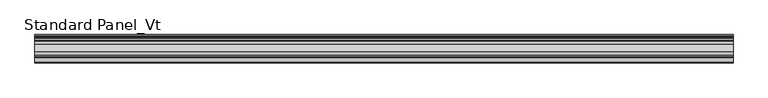
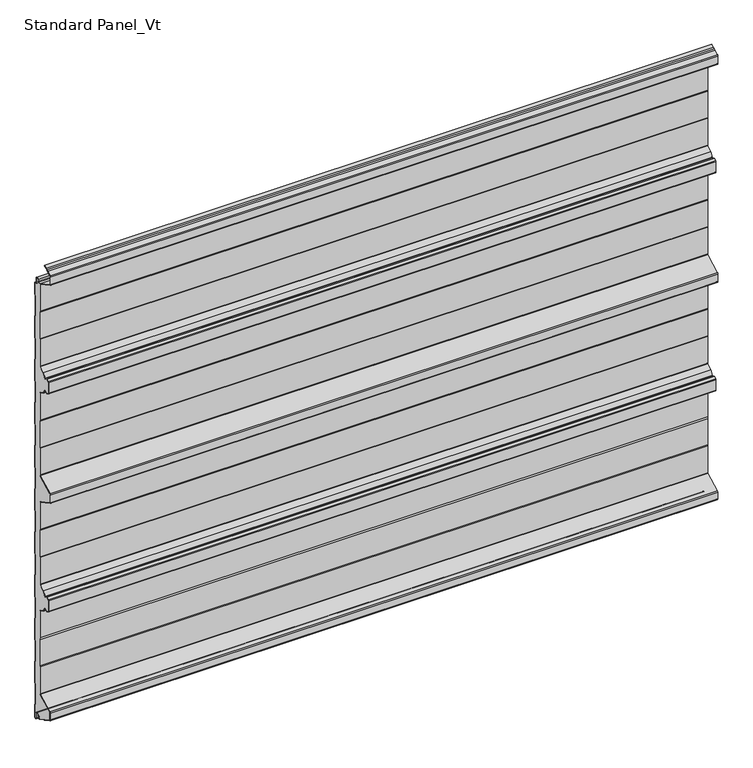
"""IFC4 building model written with IfcOpenShell, lengths in millimetres: proxy geometry, Standard Panel_Vt."""

from ifc_helpers import new_model, si_unit, point, frame, frame_2d, origin, place, context, project, spatial, polyline, circle_curve, trimmed, segment, composite_curve, outline, extrude, source, transform, mapped, element, save


def standard_panel_vt_2d93533b(model_context):
    return source(origin(), model_context, "Body", "SweptSolid", [
        extrude(outline(composite_curve([segment(trimmed(circle_curve(frame_2d((-21.736297, 967.456399)), 2.55), [point((-19.186297, 967.456399))], [point((-19.5970804, 968.8442938))], True, "CARTESIAN"), True, "CONTINUOUS"), segment(polyline([(-19.5970804, 968.8442938), (-13.0699171, 968.8442938), (-11.8132517, 974.2875095)]), True, "CONTINUOUS"), segment(trimmed(circle_curve(frame_2d((-9.036297, 973.646399)), 2.85), [point((-11.8132517, 974.2875095))], [point((-6.186297, 973.646399))], False, "CARTESIAN"), True, "CONTINUOUS"), segment(polyline([(-6.186297, 973.646399), (-6.186297, 963.846399)]), True, "CONTINUOUS"), segment(trimmed(circle_curve(frame_2d((-3.436297, 963.846399)), 2.75), [point((-6.186297, 963.846399))], [point((-3.436297, 961.096399))], True, "CARTESIAN"), True, "CONTINUOUS"), segment(polyline([(-3.436297, 961.096399), (-2.036297, 961.096399)]), True, "CONTINUOUS"), segment(trimmed(circle_curve(frame_2d((-2.036297, 959.846399)), 1.25), [point((-2.036297, 961.096399))], [point((-0.786297, 959.846399))], False, "CARTESIAN"), True, "CONTINUOUS"), segment(polyline([(-0.786297, 959.846399), (-0.786297, 932.8331036), (-1.786297, 931.1010528), (-1.786297, 884.6770917), (-0.786297, 882.9025902), (-0.786297, 833.8331036), (-1.8, 832.1010528), (-1.8, 785.6364357), (-0.8, 783.9043849), (-0.8, 734.8331036), (-1.8, 733.1010528), (-1.8, 686.6770917), (-0.8, 684.9025902), (-0.8, 635.8331036), (-1.8, 634.1010528), (-1.8, 587.6770917), (-0.8, 585.9025902), (-0.8, 536.8331036), (-1.8, 535.1010528), (-1.8, 488.6364357), (-0.8, 486.9043849), (-0.8, 437.8331036), (-1.8, 436.1010528), (-1.8, 389.6364357), (-0.8, 387.9043849), (-0.8, 338.8331036), (-1.8, 337.1010528), (-1.8, 290.6770917), (-0.8, 288.9025902), (-0.8, 239.8331036), (-1.8, 238.1010528), (-1.8, 191.6364357), (-0.8, 189.9043849), (-0.8, 140.8331036), (-1.8, 139.1010528), (-1.8, 92.6364357), (-0.8, 90.9043849), (-0.8, 41.8331036), (-1.8, 40.1010528), (-1.8, -6.3635643), (-0.8, -8.0956151), (-0.8, -35.653601)]), True, "CONTINUOUS"), segment(trimmed(circle_curve(frame_2d((-2.55, -35.653601)), 1.75), [point((-0.8, -35.653601))], [point((-4.3, -35.653601))], False, "CARTESIAN"), True, "CONTINUOUS"), segment(polyline([(-4.3, -35.653601), (-4.3, -26.153601)]), True, "CONTINUOUS"), segment(trimmed(circle_curve(frame_2d((-9.05, -26.153601)), 4.75), [point((-4.3, -26.153601))], [point((-13.7278368, -25.3287722))], True, "CARTESIAN"), True, "CONTINUOUS"), segment(polyline([(-13.7278368, -25.3287722), (-14.4904098, -29.6535385)]), True, "CONTINUOUS"), segment(trimmed(circle_curve(frame_2d((-15.3274964, -29.5059375)), 0.85), [point((-14.4904098, -29.6535385))], [point((-16.1690547, -29.6254352))], False, "CARTESIAN"), True, "CONTINUOUS"), segment(polyline([(-16.1690547, -29.6254352), (-16.8682582, -24.7013192), (-17.660313, -24.8137877), (-16.9611095, -29.7379036)]), True, "CONTINUOUS"), segment(trimmed(circle_curve(frame_2d((-15.3274964, -29.5059375)), 1.65), [point((-16.9611095, -29.7379036))], [point((-15.3551162, -31.1557063))], True, "CARTESIAN"), True, "CONTINUOUS"), segment(polyline([(-15.3551162, -31.1557063), (-16.7422613, -31.1557063), (-55.4671034, -10.5653426)]), True, "CONTINUOUS"), segment(trimmed(circle_curve(frame_2d((-54.5046867, -8.7553)), 2.05), [point((-55.4671034, -10.5653426))], [point((-56.5546867, -8.7553))], False, "CARTESIAN"), True, "CONTINUOUS"), segment(polyline([(-56.5546867, -8.7553), (-56.5546867, 6.7553)]), True, "CONTINUOUS"), segment(trimmed(circle_curve(frame_2d((-54.5046867, 6.7553)), 2.05), [point((-56.5546867, 6.7553))], [point((-55.4676577, 8.5650477))], False, "CARTESIAN"), True, "CONTINUOUS"), segment(polyline([(-55.4676577, 8.5650477), (-20.4953296, 27.08352)]), True, "CONTINUOUS"), segment(trimmed(circle_curve(frame_2d((-21.7061794, 29.2934182)), 2.5198823), [point((-20.4953296, 27.08352))], [point((-19.186297, 29.2934182))], True, "CARTESIAN"), True, "CONTINUOUS"), segment(polyline([(-19.186297, 29.2934182), (-19.186297, 90.6923193), (-20.1546867, 93.6457761), (-20.1546867, 153.5439864), (-19.186297, 156.5594953), (-19.186297, 218.3415811)]), True, "CONTINUOUS"), segment(trimmed(circle_curve(frame_2d((-20.976486, 218.5292607)), 1.8), [point((-19.186297, 218.3415811))], [point((-20.1314213, 220.1185579))], True, "CARTESIAN"), True, "CONTINUOUS"), segment(polyline([(-20.1314213, 220.1185579), (-31.6495044, 226.2429788), (-37.3371219, 235.2263707)]), True, "CONTINUOUS"), segment(trimmed(circle_curve(frame_2d((-38.8579389, 234.2635022)), 1.8), [point((-37.3371219, 235.2263707))], [point((-39.6648134, 235.8725247))], True, "CARTESIAN"), True, "CONTINUOUS"), segment(polyline([(-39.6648134, 235.8725247), (-44.8437404, 233.2754544), (-50.4436039, 236.2530799), (-50.4436039, 261.7469268), (-44.8329103, 264.730008), (-39.6647312, 262.138199)]), True, "CONTINUOUS"), segment(trimmed(circle_curve(frame_2d((-38.8578247, 263.7472055)), 1.8), [point((-39.6647312, 262.138199))], [point((-37.3370268, 262.7843068))], True, "CARTESIAN"), True, "CONTINUOUS"), segment(polyline([(-37.3370268, 262.7843068), (-31.6597772, 271.7509289), (-20.1317543, 277.8803412)]), True, "CONTINUOUS"), segment(trimmed(circle_curve(frame_2d((-20.9767874, 279.4696552)), 1.8), [point((-20.1317543, 277.8803412))], [point((-19.186297, 279.6544369))], True, "CARTESIAN"), True, "CONTINUOUS"), segment(polyline([(-19.186297, 279.6544369), (-19.186297, 341.6072203), (-20.1546867, 343.9888602), (-20.1546867, 403.780201), (-19.186297, 406.1618409), (-19.186297, 467.4564123)]), True, "CONTINUOUS"), segment(trimmed(circle_curve(frame_2d((-21.736297, 467.4564123)), 2.55), [point((-19.186297, 467.4564123))], [point((-20.5391446, 469.7079287))], True, "CARTESIAN"), True, "CONTINUOUS"), segment(polyline([(-20.5391446, 469.7079287), (-56.4671034, 488.8111633)]), True, "CONTINUOUS"), segment(trimmed(circle_curve(frame_2d((-55.5046867, 490.6212058)), 2.05), [point((-56.4671034, 488.8111633))], [point((-57.5546867, 490.6212058))], False, "CARTESIAN"), True, "CONTINUOUS"), segment(polyline([(-57.5546867, 490.6212058), (-57.5546867, 507.3787942)]), True, "CONTINUOUS"), segment(trimmed(circle_curve(frame_2d((-55.5046867, 507.3787942)), 2.05), [point((-57.5546867, 507.3787942))], [point((-56.4671034, 509.1888367))], False, "CARTESIAN"), True, "CONTINUOUS"), segment(polyline([(-56.4671034, 509.1888367), (-20.5391446, 528.2920713)]), True, "CONTINUOUS"), segment(trimmed(circle_curve(frame_2d((-21.736297, 530.5435877)), 2.55), [point((-20.5391446, 528.2920713))], [point((-19.186297, 530.5435877))], True, "CARTESIAN"), True, "CONTINUOUS"), segment(polyline([(-19.186297, 530.5435877), (-19.186297, 591.8381591), (-20.1546867, 594.219799), (-20.1546867, 654.0111398), (-19.186297, 656.3927803), (-19.186297, 718.5303448)]), True, "CONTINUOUS"), segment(trimmed(circle_curve(frame_2d((-20.9860322, 718.5303448)), 1.7997352), [point((-19.186297, 718.5303448))], [point((-20.1411234, 720.119425))], True, "CARTESIAN"), True, "CONTINUOUS"), segment(polyline([(-20.1411234, 720.119425), (-31.6695862, 726.2490712), (-37.3468358, 735.2156931)]), True, "CONTINUOUS"), segment(trimmed(circle_curve(frame_2d((-38.8676336, 734.2527944)), 1.8), [point((-37.3468358, 735.2156931))], [point((-39.6745401, 735.8618009))], True, "CARTESIAN"), True, "CONTINUOUS"), segment(polyline([(-39.6745401, 735.8618009), (-44.8427209, 733.269991), (-50.4532499, 736.2530911), (-50.4532499, 761.7470593), (-44.8535484, 764.724545), (-39.6746224, 762.1274752)]), True, "CONTINUOUS"), segment(trimmed(circle_curve(frame_2d((-38.8677478, 763.7364977)), 1.8), [point((-39.6746224, 762.1274752))], [point((-37.3469308, 762.7736292))], True, "CARTESIAN"), True, "CONTINUOUS"), segment(polyline([(-37.3469308, 762.7736292), (-31.6593134, 771.7570211), (-20.1412302, 777.881442)]), True, "CONTINUOUS"), segment(trimmed(circle_curve(frame_2d((-20.9862949, 779.4707392)), 1.8), [point((-20.1412302, 777.881442))], [point((-19.186297, 779.4679533))], True, "CARTESIAN"), True, "CONTINUOUS"), segment(polyline([(-19.186297, 779.4679533), (-19.186297, 841.6072201), (-20.1546867, 843.9888535), (-20.1546867, 903.7801942), (-19.186297, 906.1618275), (-19.186297, 967.456399)]), True, "CONTINUOUS")], self_intersect=False)), frame((-723.9042608, 0.0, 0.0), z_axis=(1.0, 0.0, 0.0), x_axis=(0.0, 1.0, 0.0)), (0.0, 0.0, 1.0), 1447.8085217),
        extrude(outline(composite_curve([segment(trimmed(circle_curve(frame_2d((-21.75, 967.456399)), 1.75), [point((-20.0, 967.456399))], [point((-20.9284248, 969.0015573))], True, "CARTESIAN"), True, "CONTINUOUS"), segment(polyline([(-20.9284248, 969.0015573), (-56.8563836, 988.1047918)]), True, "CONTINUOUS"), segment(trimmed(circle_curve(frame_2d((-55.5183897, 990.6211925)), 2.85), [point((-56.8563836, 988.1047918))], [point((-58.3683897, 990.6211925))], False, "CARTESIAN"), True, "CONTINUOUS"), segment(polyline([(-58.3683897, 990.6211925), (-58.3683897, 1007.362)]), True, "CONTINUOUS"), segment(trimmed(circle_curve(frame_2d((-55.5183897, 1007.362)), 2.85), [point((-58.3683897, 1007.362))], [point((-56.8563836, 1009.8784006))], False, "CARTESIAN"), True, "CONTINUOUS"), segment(polyline([(-56.8563836, 1009.8784006), (-47.6702585, 1014.76275), (-45.3708693, 1017.1802976), (-42.000038, 1017.7776597), (-36.2289737, 1020.846189), (-35.8533964, 1020.139831), (-41.7360251, 1017.0119818), (-44.9723908, 1016.438449), (-47.1800551, 1014.1173397), (-56.4808064, 1009.1720426)]), True, "CONTINUOUS"), segment(trimmed(circle_curve(frame_2d((-55.5183897, 1007.362)), 2.05), [point((-56.4808064, 1009.1720426))], [point((-57.5683897, 1007.362))], True, "CARTESIAN"), True, "CONTINUOUS"), segment(polyline([(-57.5683897, 1007.362), (-57.5683897, 990.6211925)]), True, "CONTINUOUS"), segment(trimmed(circle_curve(frame_2d((-55.5183897, 990.6211925)), 2.05), [point((-57.5683897, 990.6211925))], [point((-56.4808064, 988.8111499))], True, "CARTESIAN"), True, "CONTINUOUS"), segment(polyline([(-56.4808064, 988.8111499), (-20.5528475, 969.7079153)]), True, "CONTINUOUS"), segment(trimmed(circle_curve(frame_2d((-21.75, 967.456399)), 2.55), [point((-20.5528475, 969.7079153))], [point((-19.2, 967.456399))], False, "CARTESIAN"), True, "CONTINUOUS"), segment(polyline([(-19.2, 967.456399), (-19.2, 906.1618275), (-20.1683897, 903.7801942), (-20.1683897, 843.9888535), (-19.2, 841.6072201), (-19.2, 779.4679533)]), True, "CONTINUOUS"), segment(trimmed(circle_curve(frame_2d((-20.9999978, 779.4707392)), 1.8), [point((-19.2, 779.4679533))], [point((-20.1549332, 777.881442))], False, "CARTESIAN"), True, "CONTINUOUS"), segment(polyline([(-20.1549332, 777.881442), (-31.6730163, 771.7570211), (-37.3606338, 762.7736292)]), True, "CONTINUOUS"), segment(trimmed(circle_curve(frame_2d((-38.8814507, 763.7364977)), 1.8), [point((-37.3606338, 762.7736292))], [point((-39.6883253, 762.1274752))], False, "CARTESIAN"), True, "CONTINUOUS"), segment(polyline([(-39.6883253, 762.1274752), (-44.8672514, 764.724545), (-50.4669529, 761.7470593), (-50.4669529, 736.2530911), (-44.8564238, 733.269991), (-39.6882431, 735.8618009)]), True, "CONTINUOUS"), segment(trimmed(circle_curve(frame_2d((-38.8813366, 734.2527944)), 1.8), [point((-39.6882431, 735.8618009))], [point((-37.3605387, 735.2156931))], False, "CARTESIAN"), True, "CONTINUOUS"), segment(polyline([(-37.3605387, 735.2156931), (-31.6832892, 726.2490712), (-20.1548264, 720.119425)]), True, "CONTINUOUS"), segment(trimmed(circle_curve(frame_2d((-20.9997352, 718.5303448)), 1.7997352), [point((-20.1548264, 720.119425))], [point((-19.2, 718.5303448))], False, "CARTESIAN"), True, "CONTINUOUS"), segment(polyline([(-19.2, 718.5303448), (-19.2, 656.3927803), (-20.1683897, 654.0111398), (-20.1683897, 594.219799), (-19.2, 591.8381591), (-19.2, 530.5435877)]), True, "CONTINUOUS"), segment(trimmed(circle_curve(frame_2d((-21.75, 530.5435877)), 2.55), [point((-19.2, 530.5435877))], [point((-20.5528475, 528.2920713))], False, "CARTESIAN"), True, "CONTINUOUS"), segment(polyline([(-20.5528475, 528.2920713), (-56.4808064, 509.1888367)]), True, "CONTINUOUS"), segment(trimmed(circle_curve(frame_2d((-55.5183897, 507.3787942)), 2.05), [point((-56.4808064, 509.1888367))], [point((-57.5683897, 507.3787942))], True, "CARTESIAN"), True, "CONTINUOUS"), segment(polyline([(-57.5683897, 507.3787942), (-57.5683897, 490.6212058)]), True, "CONTINUOUS"), segment(trimmed(circle_curve(frame_2d((-55.5183897, 490.6212058)), 2.05), [point((-57.5683897, 490.6212058))], [point((-56.4808064, 488.8111633))], True, "CARTESIAN"), True, "CONTINUOUS"), segment(polyline([(-56.4808064, 488.8111633), (-20.5528475, 469.7079287)]), True, "CONTINUOUS"), segment(trimmed(circle_curve(frame_2d((-21.75, 467.4564123)), 2.55), [point((-20.5528475, 469.7079287))], [point((-19.2, 467.4564123))], False, "CARTESIAN"), True, "CONTINUOUS"), segment(polyline([(-19.2, 467.4564123), (-19.2, 406.1618409), (-20.1683897, 403.780201), (-20.1683897, 343.9888602), (-19.2, 341.6072203), (-19.2, 279.6544369)]), True, "CONTINUOUS"), segment(trimmed(circle_curve(frame_2d((-20.9904904, 279.4696552)), 1.8), [point((-19.2, 279.6544369))], [point((-20.1454573, 277.8803412))], False, "CARTESIAN"), True, "CONTINUOUS"), segment(polyline([(-20.1454573, 277.8803412), (-31.6734802, 271.7509289), (-37.3507298, 262.7843068)]), True, "CONTINUOUS"), segment(trimmed(circle_curve(frame_2d((-38.8715276, 263.7472055)), 1.8), [point((-37.3507298, 262.7843068))], [point((-39.6784342, 262.138199))], False, "CARTESIAN"), True, "CONTINUOUS"), segment(polyline([(-39.6784342, 262.138199), (-44.8466132, 264.730008), (-50.4573069, 261.7469268), (-50.4573069, 236.2530799), (-44.8574433, 233.2754544), (-39.6785164, 235.8725247)]), True, "CONTINUOUS"), segment(trimmed(circle_curve(frame_2d((-38.8716418, 234.2635022)), 1.8), [point((-39.6785164, 235.8725247))], [point((-37.3508249, 235.2263707))], False, "CARTESIAN"), True, "CONTINUOUS"), segment(polyline([(-37.3508249, 235.2263707), (-31.6632074, 226.2429788), (-20.1451242, 220.1185579)]), True, "CONTINUOUS"), segment(trimmed(circle_curve(frame_2d((-20.9901889, 218.5292607)), 1.8), [point((-20.1451242, 220.1185579))], [point((-19.2, 218.3415811))], False, "CARTESIAN"), True, "CONTINUOUS"), segment(polyline([(-19.2, 218.3415811), (-19.2, 156.5594953), (-20.1683897, 153.5439864), (-20.1683897, 93.6457761), (-19.2, 90.6923193), (-19.2, 29.2934182)]), True, "CONTINUOUS"), segment(trimmed(circle_curve(frame_2d((-21.7198823, 29.2934182)), 2.5198823), [point((-19.2, 29.2934182))], [point((-20.5090325, 27.08352))], False, "CARTESIAN"), True, "CONTINUOUS"), segment(polyline([(-20.5090325, 27.08352), (-55.4813607, 8.5650477)]), True, "CONTINUOUS"), segment(trimmed(circle_curve(frame_2d((-54.5183897, 6.7553)), 2.05), [point((-55.4813607, 8.5650477))], [point((-56.5683897, 6.7553))], True, "CARTESIAN"), True, "CONTINUOUS"), segment(polyline([(-56.5683897, 6.7553), (-56.5683897, -8.7553)]), True, "CONTINUOUS"), segment(trimmed(circle_curve(frame_2d((-54.5183897, -8.7553)), 2.05), [point((-56.5683897, -8.7553))], [point((-55.4808064, -10.5653426))], True, "CARTESIAN"), True, "CONTINUOUS"), segment(polyline([(-55.4808064, -10.5653426), (-34.8533847, -21.5331372), (-35.2289619, -22.2394953), (-55.8563836, -11.2717006)]), True, "CONTINUOUS"), segment(trimmed(circle_curve(frame_2d((-54.5183897, -8.7553)), 2.85), [point((-55.8563836, -11.2717006))], [point((-57.3683897, -8.7553))], False, "CARTESIAN"), True, "CONTINUOUS"), segment(polyline([(-57.3683897, -8.7553), (-57.3683897, 6.7553)]), True, "CONTINUOUS"), segment(trimmed(circle_curve(frame_2d((-54.5183897, 6.7553)), 2.85), [point((-57.3683897, 6.7553))], [point((-55.8563836, 9.2717006))], False, "CARTESIAN"), True, "CONTINUOUS"), segment(polyline([(-55.8563836, 9.2717006), (-20.8889236, 27.7875952)]), True, "CONTINUOUS"), segment(trimmed(circle_curve(frame_2d((-21.7198823, 29.2934182)), 1.7198823), [point((-20.8889236, 27.7875952))], [point((-20.0, 29.2934182))], True, "CARTESIAN"), True, "CONTINUOUS"), segment(polyline([(-20.0, 29.2934182), (-20.0, 90.5645133), (-20.9683897, 93.5179701), (-20.9683897, 153.6692896), (-20.0, 156.6847985), (-20.0, 218.3895256)]), True, "CONTINUOUS"), segment(trimmed(circle_curve(frame_2d((-20.9901889, 218.5292607)), 1.0), [point((-20.0, 218.3895256))], [point((-20.5207085, 219.4122036))], True, "CARTESIAN"), True, "CONTINUOUS"), segment(polyline([(-20.5207085, 219.4122036), (-32.2258174, 225.6360702), (-38.0267435, 234.7984291)]), True, "CONTINUOUS"), segment(trimmed(circle_curve(frame_2d((-38.8716418, 234.2635022)), 1.0), [point((-38.0267435, 234.7984291))], [point((-39.3199055, 235.1574036))], True, "CARTESIAN"), True, "CONTINUOUS"), segment(polyline([(-39.3199055, 235.1574036), (-44.4064911, 232.6066396)]), True, "CONTINUOUS"), segment(trimmed(circle_curve(frame_2d((-44.8547548, 233.500541)), 1.0), [point((-44.4064911, 232.6066396))], [point((-45.3242418, 232.6176016))], False, "CARTESIAN"), True, "CONTINUOUS"), segment(polyline([(-45.3242418, 232.6176016), (-50.4615583, 235.3492761)]), True, "CONTINUOUS"), segment(trimmed(circle_curve(frame_2d((-49.7573465, 236.6736502)), 1.4999604), [point((-50.4615583, 235.3492761))], [point((-51.2573069, 236.6736502))], False, "CARTESIAN"), True, "CONTINUOUS"), segment(polyline([(-51.2573069, 236.6736502), (-51.2573069, 261.3262653)]), True, "CONTINUOUS"), segment(trimmed(circle_curve(frame_2d((-49.7572281, 261.3262653)), 1.5000788), [point((-51.2573069, 261.3262653))], [point((-50.4614397, 262.6507736))], False, "CARTESIAN"), True, "CONTINUOUS"), segment(polyline([(-50.4614397, 262.6507736), (-45.3133815, 265.3878819)]), True, "CONTINUOUS"), segment(trimmed(circle_curve(frame_2d((-44.8439317, 264.5049227)), 1.0), [point((-45.3133815, 265.3878819))], [point((-44.3956503, 265.3988152))], False, "CARTESIAN"), True, "CONTINUOUS"), segment(polyline([(-44.3956503, 265.3988152), (-39.319809, 262.853313)]), True, "CONTINUOUS"), segment(trimmed(circle_curve(frame_2d((-38.8715276, 263.7472055)), 1.0), [point((-39.319809, 262.853313))], [point((-38.0266399, 263.2122617))], True, "CARTESIAN"), True, "CONTINUOUS"), segment(polyline([(-38.0266399, 263.2122617), (-32.2360781, 272.3578487), (-20.5210275, 278.586703)]), True, "CONTINUOUS"), segment(trimmed(circle_curve(frame_2d((-20.9904904, 279.4696552)), 1.0), [point((-20.5210275, 278.586703))], [point((-20.0, 279.6072374))], True, "CARTESIAN"), True, "CONTINUOUS"), segment(polyline([(-20.0, 279.6072374), (-20.0, 341.450796), (-20.9683897, 343.8324358), (-20.9683897, 403.9366254), (-20.0, 406.3182652), (-20.0, 467.4564123)]), True, "CONTINUOUS"), segment(trimmed(circle_curve(frame_2d((-21.75, 467.4564123)), 1.75), [point((-20.0, 467.4564123))], [point((-20.9284248, 469.0015706))], True, "CARTESIAN"), True, "CONTINUOUS"), segment(polyline([(-20.9284248, 469.0015706), (-56.8563836, 488.1048052)]), True, "CONTINUOUS"), segment(trimmed(circle_curve(frame_2d((-55.5183897, 490.6212058)), 2.85), [point((-56.8563836, 488.1048052))], [point((-58.3683897, 490.6212058))], False, "CARTESIAN"), True, "CONTINUOUS"), segment(polyline([(-58.3683897, 490.6212058), (-58.3683897, 507.3787942)]), True, "CONTINUOUS"), segment(trimmed(circle_curve(frame_2d((-55.5183897, 507.3787942)), 2.85), [point((-58.3683897, 507.3787942))], [point((-56.8563836, 509.8951948))], False, "CARTESIAN"), True, "CONTINUOUS"), segment(polyline([(-56.8563836, 509.8951948), (-20.9284248, 528.9984294)]), True, "CONTINUOUS"), segment(trimmed(circle_curve(frame_2d((-21.75, 530.5435877)), 1.75), [point((-20.9284248, 528.9984294))], [point((-20.0, 530.5435877))], True, "CARTESIAN"), True, "CONTINUOUS"), segment(polyline([(-20.0, 530.5435877), (-20.0, 591.6817348), (-20.9683897, 594.0633746), (-20.9683897, 654.1675642), (-19.9999999, 656.5492046), (-19.9999999, 718.5303448)]), True, "CONTINUOUS"), segment(trimmed(circle_curve(frame_2d((-20.9997352, 718.5303448)), 0.9997353), [point((-19.9999999, 718.5303448))], [point((-20.5303966, 719.4130633))], True, "CARTESIAN"), True, "CONTINUOUS"), segment(polyline([(-20.5303966, 719.4130633), (-32.2458871, 725.6421514), (-38.0364489, 734.7877382)]), True, "CONTINUOUS"), segment(trimmed(circle_curve(frame_2d((-38.8813366, 734.2527944)), 1.0), [point((-38.0364489, 734.7877382))], [point((-39.329618, 735.1466869))], True, "CARTESIAN"), True, "CONTINUOUS"), segment(polyline([(-39.329618, 735.1466869), (-44.4054592, 732.6011847)]), True, "CONTINUOUS"), segment(trimmed(circle_curve(frame_2d((-44.8537406, 733.4950772)), 1.0), [point((-44.4054592, 732.6011847))], [point((-45.3232034, 732.6121249))], False, "CARTESIAN"), True, "CONTINUOUS"), segment(polyline([(-45.3232034, 732.6121249), (-50.4711471, 735.3492698)]), True, "CONTINUOUS"), segment(trimmed(circle_curve(frame_2d((-49.7669529, 736.6736982)), 1.5), [point((-50.4711471, 735.3492698))], [point((-51.2669529, 736.6736982))], False, "CARTESIAN"), True, "CONTINUOUS"), segment(polyline([(-51.2669529, 736.6736982), (-51.2669529, 761.2992274)]), True, "CONTINUOUS"), segment(trimmed(circle_curve(frame_2d((-49.7671978, 761.3263314)), 1.5), [point((-51.2669529, 761.2992274))], [point((-50.4714183, 762.6507457))], False, "CARTESIAN"), True, "CONTINUOUS"), segment(polyline([(-50.4714183, 762.6507457), (-45.3340441, 765.3824018)]), True, "CONTINUOUS"), segment(trimmed(circle_curve(frame_2d((-44.8645637, 764.4994589)), 1.0), [point((-45.3340441, 765.3824018))], [point((-44.4163001, 765.3933603))], False, "CARTESIAN"), True, "CONTINUOUS"), segment(polyline([(-44.4163001, 765.3933603), (-39.3297144, 762.8425963)]), True, "CONTINUOUS"), segment(trimmed(circle_curve(frame_2d((-38.8814507, 763.7364977)), 1.0), [point((-39.3297144, 762.8425963))], [point((-38.0365524, 763.2015707))], True, "CARTESIAN"), True, "CONTINUOUS"), segment(polyline([(-38.0365524, 763.2015707), (-32.2356263, 772.3639297), (-20.5305175, 778.5877963)]), True, "CONTINUOUS"), segment(trimmed(circle_curve(frame_2d((-20.9999978, 779.4707392)), 1.0), [point((-20.5305175, 778.5877963))], [point((-20.0, 779.4686627))], True, "CARTESIAN"), True, "CONTINUOUS"), segment(polyline([(-20.0, 779.4686627), (-20.0, 841.4507954), (-20.9683897, 843.8324287), (-20.9683897, 903.9366189), (-20.0, 906.3182523), (-20.0, 967.456399)]), True, "CONTINUOUS")], self_intersect=False)), frame((-723.9042608, 0.0, 0.0), z_axis=(1.0, 0.0, 0.0), x_axis=(0.0, 1.0, 0.0)), (0.0, 0.0, 1.0), 1447.8085217),
        extrude(outline(composite_curve([segment(trimmed(circle_curve(frame_2d((-2.55, -35.653601)), 2.55), [point((0.0, -35.653601))], [point((-5.1, -35.653601))], False, "CARTESIAN"), True, "CONTINUOUS"), segment(polyline([(-5.1, -35.653601), (-5.1, -26.153601)]), True, "CONTINUOUS"), segment(trimmed(circle_curve(frame_2d((-9.05, -26.153601)), 3.95), [point((-5.1, -26.153601))], [point((-12.9399906, -25.4676907))], True, "CARTESIAN"), True, "CONTINUOUS"), segment(polyline([(-12.9399906, -25.4676907), (-13.7025636, -29.792457)]), True, "CONTINUOUS"), segment(trimmed(circle_curve(frame_2d((-15.3274964, -29.5059375)), 1.65), [point((-13.7025636, -29.792457))], [point((-16.9611095, -29.7379036))], False, "CARTESIAN"), True, "CONTINUOUS"), segment(polyline([(-16.9611095, -29.7379036), (-17.660313, -24.8137877), (-16.8682582, -24.7013192), (-16.1690547, -29.6254352)]), True, "CONTINUOUS"), segment(trimmed(circle_curve(frame_2d((-15.3274964, -29.5059375)), 0.85), [point((-16.1690547, -29.6254352))], [point((-14.4904098, -29.6535385))], True, "CARTESIAN"), True, "CONTINUOUS"), segment(polyline([(-14.4904098, -29.6535385), (-13.7278368, -25.3287722)]), True, "CONTINUOUS"), segment(trimmed(circle_curve(frame_2d((-9.05, -26.153601)), 4.75), [point((-13.7278368, -25.3287722))], [point((-4.3, -26.153601))], False, "CARTESIAN"), True, "CONTINUOUS"), segment(polyline([(-4.3, -26.153601), (-4.3, -35.653601)]), True, "CONTINUOUS"), segment(trimmed(circle_curve(frame_2d((-2.55, -35.653601)), 1.75), [point((-4.3, -35.653601))], [point((-0.8, -35.653601))], True, "CARTESIAN"), True, "CONTINUOUS"), segment(polyline([(-0.8, -35.653601), (-0.8, -8.0956151), (-1.8, -6.3635643), (-1.8, 40.1010528), (-0.8, 41.8331036), (-0.8, 90.9043849), (-1.8, 92.6364357), (-1.8, 139.1010528), (-0.8, 140.8331036), (-0.8, 189.9043849), (-1.8, 191.6364357), (-1.8, 238.1010528), (-0.8, 239.8331036), (-0.8, 288.9025902), (-1.8, 290.6770917), (-1.8, 337.1010528), (-0.8, 338.8331036), (-0.8, 387.9043849), (-1.8, 389.6364357), (-1.8, 436.1010528), (-0.8, 437.8331036), (-0.8, 486.9043849), (-1.8, 488.6364357), (-1.8, 535.1010528), (-0.8, 536.8331036), (-0.8, 585.9025902), (-1.8, 587.6770917), (-1.8, 634.1010528), (-0.8, 635.8331036), (-0.8, 684.9025902), (-1.8, 686.6770917), (-1.8, 733.1010528), (-0.8, 734.8331036), (-0.8, 783.9043849), (-1.8, 785.6364357), (-1.8, 832.1010528), (-0.786297, 833.8331036), (-0.786297, 882.9025902), (-1.786297, 884.6770917), (-1.786297, 931.1010528), (-0.786297, 932.8331036), (-0.786297, 959.846399)]), True, "CONTINUOUS"), segment(trimmed(circle_curve(frame_2d((-2.036297, 959.846399)), 1.25), [point((-0.786297, 959.846399))], [point((-2.036297, 961.096399))], True, "CARTESIAN"), True, "CONTINUOUS"), segment(polyline([(-2.036297, 961.096399), (-3.436297, 961.096399)]), True, "CONTINUOUS"), segment(trimmed(circle_curve(frame_2d((-3.436297, 963.846399)), 2.75), [point((-3.436297, 961.096399))], [point((-6.186297, 963.846399))], False, "CARTESIAN"), True, "CONTINUOUS"), segment(polyline([(-6.186297, 963.846399), (-6.186297, 973.646399)]), True, "CONTINUOUS"), segment(trimmed(circle_curve(frame_2d((-9.036297, 973.646399)), 2.85), [point((-6.186297, 973.646399))], [point((-11.8132517, 974.2875095))], True, "CARTESIAN"), True, "CONTINUOUS"), segment(polyline([(-11.8132517, 974.2875095), (-13.0699171, 968.8442938), (-13.8494131, 969.0242547), (-12.5927478, 974.4674703)]), True, "CONTINUOUS"), segment(trimmed(circle_curve(frame_2d((-9.036297, 973.646399)), 3.65), [point((-12.5927478, 974.4674703))], [point((-5.386297, 973.646399))], False, "CARTESIAN"), True, "CONTINUOUS"), segment(polyline([(-5.386297, 973.646399), (-5.386297, 963.846399)]), True, "CONTINUOUS"), segment(trimmed(circle_curve(frame_2d((-3.436297, 963.846399)), 1.95), [point((-5.386297, 963.846399))], [point((-3.436297, 961.896399))], True, "CARTESIAN"), True, "CONTINUOUS"), segment(polyline([(-3.436297, 961.896399), (-2.036297, 961.896399)]), True, "CONTINUOUS"), segment(trimmed(circle_curve(frame_2d((-2.036297, 959.846399)), 2.05), [point((-2.036297, 961.896399))], [point((0.013703, 959.846399))], False, "CARTESIAN"), True, "CONTINUOUS"), segment(polyline([(0.013703, 959.846399), (0.013703, 932.6187443), (-0.986297, 930.8866935), (-0.986297, 884.8869897), (0.013703, 883.1124882), (0.013703, 833.6187443), (-1.0, 831.8866935), (-1.0, 785.8507951), (0.0, 784.1187443), (0.0, 734.6187443), (-1.0, 732.8866935), (-1.0, 686.8869897), (0.0, 685.1124882), (0.0, 635.6187443), (-1.0, 633.8866935), (-1.0, 587.8869897), (0.0, 586.1124882), (0.0, 536.6187443), (-1.0, 534.8866935), (-1.0, 488.8507951), (0.0, 487.1187443), (0.0, 437.6187443), (-1.0, 435.8866935), (-1.0, 389.8507951), (0.0, 388.1187443), (0.0, 338.6187443), (-1.0, 336.8866935), (-1.0, 290.8869897), (0.0, 289.1124882), (0.0, 239.6187443), (-1.0, 237.8866935), (-1.0, 191.8507951), (0.0, 190.1187443), (0.0, 140.6187443), (-1.0, 138.8866935), (-1.0, 92.8507951), (0.0, 91.1187443), (0.0, 41.6187443), (-1.0, 39.8866935), (-1.0, -6.1492049), (0.0, -7.8812557), (0.0, -35.653601)]), True, "CONTINUOUS")], self_intersect=False)), frame((-723.9042608, 0.0, 0.0), z_axis=(1.0, 0.0, 0.0), x_axis=(0.0, 1.0, 0.0)), (0.0, 0.0, 1.0), 1447.8085217),
    ])


if __name__ == "__main__":
    model = new_model("IFC4")
    model_context = context("Model", 3, world=origin())
    ifc_project = project(units=[si_unit("LENGTHUNIT", "METRE", prefix="MILLI")], contexts=[model_context])
    site = spatial("IfcSite", under=ifc_project)
    building = spatial("IfcBuilding", under=site)
    placement = place(None, origin())
    standard_panel_vt_shape = standard_panel_vt_2d93533b(model_context)
    element("IfcBuildingElementProxy", 1, Name="Standard Panel_Vt", ObjectType="Standard Panel_Vt", at=placement, inside=building, context=model_context, shape_type="MappedRepresentation", body=[
        mapped(standard_panel_vt_shape, transform((0.0, 0.0, 0.0), x_axis=(1.0, 0.0, 0.0), y_axis=(0.0, 1.0, 0.0), z_axis=(0.0, 0.0, 1.0))),
    ])
    save(model, "model.ifc")
